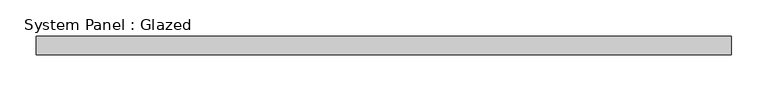
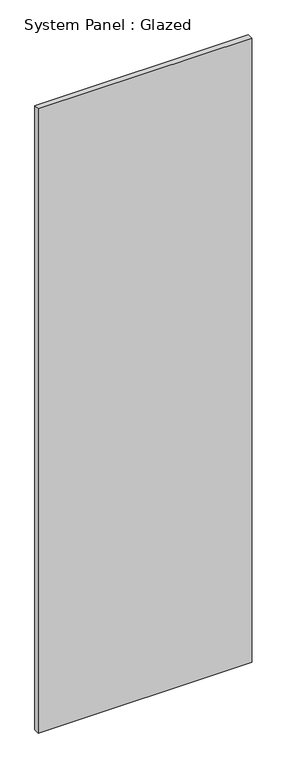
"""IFC4 building model written with IfcOpenShell, lengths in millimetres: plate geometry, System Panel : Glazed."""

from ifc_helpers import new_model, si_unit, origin, origin_with_axes, place, context, project, spatial, polyline, outline, extrude, source, transform, mapped, element, save


def system_panel_glazed_248135a4(model_context):
    return source(origin(), model_context, "Body", "SweptSolid", [
        extrude(outline(polyline([(477.8375, -12.7), (-477.8375, -12.7), (-477.8375, 12.7), (477.8375, 12.7), (477.8375, -12.7)])), origin_with_axes(), (0.0, 0.0, 1.0), 2952.75),
    ])


if __name__ == "__main__":
    model = new_model("IFC4")
    model_context = context("Model", 3, world=origin())
    ifc_project = project(units=[si_unit("LENGTHUNIT", "METRE", prefix="MILLI")], contexts=[model_context])
    site = spatial("IfcSite", under=ifc_project)
    building = spatial("IfcBuilding", under=site)
    placement = place(None, origin())
    system_panel_glazed_shape = system_panel_glazed_248135a4(model_context)
    element("IfcPlate", 1, ObjectType="System Panel : Glazed", at=placement, inside=building, context=model_context, shape_type="MappedRepresentation", body=[
        mapped(system_panel_glazed_shape, transform((0.0, 0.0, 0.0), x_axis=(1.0, 0.0, 0.0), y_axis=(0.0, 1.0, 0.0), z_axis=(0.0, 0.0, 1.0))),
    ])
    save(model, "model.ifc")
